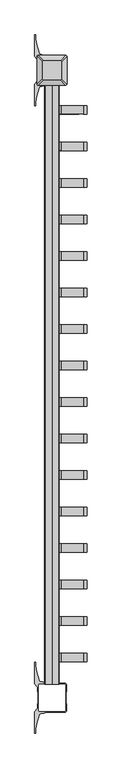
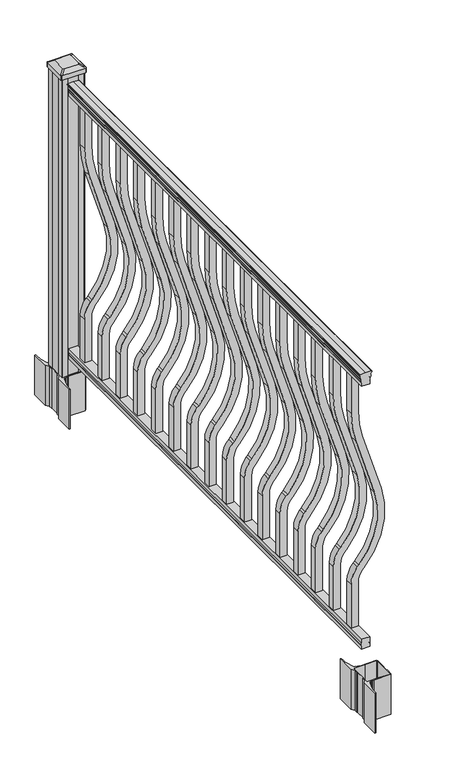
"""IFC4 building model written with IfcOpenShell, lengths in millimetres: railing geometry."""

from ifc_helpers import new_model, si_unit, point, frame, frame_2d, origin, origin_with_axes, place, context, project, spatial, polyline, circle_curve, trimmed, segment, composite_curve, outline, extrude, source, transform, mapped, element, save
from ifc_brep_helpers import plane_surface, extruded_surface, advanced_brep


def railing_abba4c6a(model_context):
    return source(origin(), model_context, "Body", "SolidModel", [
        extrude(outline(composite_curve([segment(polyline([(1090.8043297, 2185.0080205), (1092.692412, 2185.0080205)]), True, "CONTINUOUS"), segment(trimmed(circle_curve(frame_2d((1098.4506383, 2178.6932672)), 8.545951), [point((1092.692412, 2185.0080205))], [point((1094.2546695, 2186.1382068))], False, "CARTESIAN"), True, "CONTINUOUS"), segment(trimmed(circle_curve(frame_2d((1097.8636577, 2179.1303302)), 7.882584), [point((1094.2546695, 2186.1382068))], [point((1101.4726458, 2186.1382068))], False, "CARTESIAN"), True, "CONTINUOUS"), segment(trimmed(circle_curve(frame_2d((1103.7112527, 2189.6436543)), 4.1592695), [point((1101.4726458, 2186.1382068))], [point((1103.9060812, 2185.4889504))], True, "CARTESIAN"), True, "CONTINUOUS"), segment(trimmed(circle_curve(frame_2d((1103.6508864, 2190.9309609)), 5.4479907), [point((1103.9060812, 2185.4889504))], [point((1108.2362083, 2187.9889504))], True, "CARTESIAN"), True, "CONTINUOUS"), segment(trimmed(circle_curve(frame_2d((1108.233395, 2189.6978025)), 1.7088543), [point((1108.2362083, 2187.9889504))], [point((1109.9157972, 2189.3982929))], True, "CARTESIAN"), True, "CONTINUOUS"), segment(trimmed(circle_curve(frame_2d((1111.0205318, 2188.0809024)), 1.7192895), [point((1109.9157972, 2189.3982929))], [point((1111.0205318, 2189.8001919))], False, "CARTESIAN"), True, "CONTINUOUS"), segment(polyline([(1111.0205318, 2189.8001919), (1112.3608158, 2189.8001918)]), True, "CONTINUOUS"), segment(trimmed(circle_curve(frame_2d((1112.3608158, 2188.2467446)), 1.5534472), [point((1112.3608158, 2189.8001918))], [point((1113.914263, 2188.2467446))], False, "CARTESIAN"), True, "CONTINUOUS"), segment(polyline([(1113.914263, 2188.2467446), (1113.914263, 2167.5751918), (1113.914263, 2146.903639)]), True, "CONTINUOUS"), segment(trimmed(circle_curve(frame_2d((1112.3608158, 2146.903639)), 1.5534472), [point((1113.914263, 2146.903639))], [point((1112.3608158, 2145.3501918))], False, "CARTESIAN"), True, "CONTINUOUS"), segment(polyline([(1112.3608158, 2145.3501918), (1111.0205318, 2145.3501918)]), True, "CONTINUOUS"), segment(trimmed(circle_curve(frame_2d((1111.0205318, 2147.0694812)), 1.7192895), [point((1111.0205318, 2145.3501918))], [point((1109.9157972, 2145.7520907))], False, "CARTESIAN"), True, "CONTINUOUS"), segment(trimmed(circle_curve(frame_2d((1108.233395, 2145.4525811)), 1.7088543), [point((1109.9157972, 2145.7520907))], [point((1108.2362083, 2147.1614332))], True, "CARTESIAN"), True, "CONTINUOUS"), segment(trimmed(circle_curve(frame_2d((1103.6508864, 2144.2194227)), 5.4479907), [point((1108.2362083, 2147.1614332))], [point((1103.9060812, 2149.6614332))], True, "CARTESIAN"), True, "CONTINUOUS"), segment(trimmed(circle_curve(frame_2d((1103.7112527, 2145.5067292)), 4.1592695), [point((1103.9060812, 2149.6614332))], [point((1101.4726458, 2149.0121768))], True, "CARTESIAN"), True, "CONTINUOUS"), segment(trimmed(circle_curve(frame_2d((1097.8636577, 2156.0200534)), 7.882584), [point((1101.4726458, 2149.0121768))], [point((1094.2546695, 2149.0121768))], False, "CARTESIAN"), True, "CONTINUOUS"), segment(trimmed(circle_curve(frame_2d((1098.4506383, 2156.4571163)), 8.545951), [point((1094.2546695, 2149.0121768))], [point((1092.692412, 2150.1423631))], False, "CARTESIAN"), True, "CONTINUOUS"), segment(polyline([(1092.692412, 2150.1423631), (1090.8043297, 2150.1423631)]), True, "CONTINUOUS"), segment(trimmed(circle_curve(frame_2d((1090.8043297, 2151.4292774)), 1.2869144), [point((1090.8043297, 2150.1423631))], [point((1090.8043297, 2152.7161918))], False, "CARTESIAN"), True, "CONTINUOUS"), segment(polyline([(1090.8043297, 2152.7161918), (1080.3048283, 2152.7161918), (1079.2888283, 2151.7001918), (1066.8, 2151.7001918), (1066.8, 2183.4501918), (1079.131013, 2183.4501918), (1080.147013, 2182.4341918), (1090.8043297, 2182.4341918)]), True, "CONTINUOUS"), segment(trimmed(circle_curve(frame_2d((1090.8043297, 2183.7211062)), 1.2869144), [point((1090.8043297, 2182.4341918))], [point((1090.8043297, 2185.0080205))], False, "CARTESIAN"), True, "CONTINUOUS")], self_intersect=False)), frame((0.0, -47764.2908968, 0.0), z_axis=(0.0, 1.0, 0.0), x_axis=(0.0, 0.0, 1.0)), (0.0, 0.0, 1.0), 1828.8),
        extrude(outline(polyline([(76.0541976, 2183.4876787), (77.3546183, 2182.4716787), (87.7141717, 2182.4716787), (89.0624492, 2183.4876787), (101.5958781, 2183.4876787), (101.5958781, 2151.7376787), (89.0458024, 2151.7376787), (87.6975248, 2152.7536787), (77.3858283, 2152.7536787), (76.0375508, 2151.7376787), (63.5, 2151.7376787), (63.5, 2183.4876787), (76.0541976, 2183.4876787)])), frame((0.0, -47764.2908968, 0.0), z_axis=(0.0, 1.0, 0.0), x_axis=(0.0, 0.0, 1.0)), (0.0, 0.0, 1.0), 1828.8),
        extrude(outline(composite_curve([segment(polyline([(921.03216, 2180.2751918), (1066.8, 2180.2751918), (1066.8, 2154.8751918), (921.03216, 2154.8751918)]), True, "CONTINUOUS"), segment(trimmed(circle_curve(frame_2d((921.03216, 2527.5751918)), 372.7), [point((921.03216, 2154.8751918))], [point((812.0652257, 2171.1604092))], False, "CARTESIAN"), True, "CONTINUOUS"), segment(polyline([(812.0652257, 2171.1604092), (590.2121964, 2238.9876871)]), True, "CONTINUOUS"), segment(trimmed(circle_curve(frame_2d((512.0612397, 1983.3674258)), 267.3), [point((590.2121964, 2238.9876871))], [point((333.9522516, 2182.6824486))], True, "CARTESIAN"), True, "CONTINUOUS"), segment(polyline([(333.9522516, 2182.6824486), (327.7955374, 2177.1807754)]), True, "CONTINUOUS"), segment(trimmed(circle_curve(frame_2d((269.3587313, 2242.5751918)), 87.7), [point((327.7955374, 2177.1807754))], [point((269.3587313, 2154.8751918))], False, "CARTESIAN"), True, "CONTINUOUS"), segment(polyline([(269.3587313, 2154.8751918), (101.5958781, 2154.8751918), (101.5958781, 2180.2751918), (269.3587313, 2180.2751918)]), True, "CONTINUOUS"), segment(trimmed(circle_curve(frame_2d((269.3587313, 2242.5751918)), 62.3), [point((269.3587313, 2180.2751918))], [point((310.8708524, 2196.1205494))], True, "CARTESIAN"), True, "CONTINUOUS"), segment(polyline([(310.8708524, 2196.1205494), (317.0275666, 2201.6222226)]), True, "CONTINUOUS"), segment(trimmed(circle_curve(frame_2d((512.0612397, 1983.3674258)), 292.7), [point((317.0275666, 2201.6222226))], [point((597.6384377, 2263.2778279))], False, "CARTESIAN"), True, "CONTINUOUS"), segment(polyline([(597.6384377, 2263.2778279), (819.491467, 2195.45055)]), True, "CONTINUOUS"), segment(trimmed(circle_curve(frame_2d((921.03216, 2527.5751918)), 347.3), [point((819.491467, 2195.45055))], [point((921.03216, 2180.2751918))], True, "CARTESIAN"), True, "CONTINUOUS")], self_intersect=False)), frame((0.0, -46027.1848968, 0.0), z_axis=(0.0, 1.0, 0.0), x_axis=(0.0, 0.0, 1.0)), (0.0, 0.0, 1.0), 25.4),
        extrude(outline(composite_curve([segment(polyline([(921.03216, 2180.2751918), (1066.8, 2180.2751918), (1066.8, 2154.8751918), (921.03216, 2154.8751918)]), True, "CONTINUOUS"), segment(trimmed(circle_curve(frame_2d((921.03216, 2527.5751918)), 372.7), [point((921.03216, 2154.8751918))], [point((812.0652257, 2171.1604092))], False, "CARTESIAN"), True, "CONTINUOUS"), segment(polyline([(812.0652257, 2171.1604092), (590.2121964, 2238.9876871)]), True, "CONTINUOUS"), segment(trimmed(circle_curve(frame_2d((512.0612397, 1983.3674258)), 267.3), [point((590.2121964, 2238.9876871))], [point((333.9522516, 2182.6824486))], True, "CARTESIAN"), True, "CONTINUOUS"), segment(polyline([(333.9522516, 2182.6824486), (327.7955374, 2177.1807754)]), True, "CONTINUOUS"), segment(trimmed(circle_curve(frame_2d((269.3587313, 2242.5751918)), 87.7), [point((327.7955374, 2177.1807754))], [point((269.3587313, 2154.8751918))], False, "CARTESIAN"), True, "CONTINUOUS"), segment(polyline([(269.3587313, 2154.8751918), (101.5958781, 2154.8751918), (101.5958781, 2180.2751918), (269.3587313, 2180.2751918)]), True, "CONTINUOUS"), segment(trimmed(circle_curve(frame_2d((269.3587313, 2242.5751918)), 62.3), [point((269.3587313, 2180.2751918))], [point((310.8708524, 2196.1205494))], True, "CARTESIAN"), True, "CONTINUOUS"), segment(polyline([(310.8708524, 2196.1205494), (317.0275666, 2201.6222226)]), True, "CONTINUOUS"), segment(trimmed(circle_curve(frame_2d((512.0612397, 1983.3674258)), 292.7), [point((317.0275666, 2201.6222226))], [point((597.6384377, 2263.2778279))], False, "CARTESIAN"), True, "CONTINUOUS"), segment(polyline([(597.6384377, 2263.2778279), (819.491467, 2195.45055)]), True, "CONTINUOUS"), segment(trimmed(circle_curve(frame_2d((921.03216, 2527.5751918)), 347.3), [point((819.491467, 2195.45055))], [point((921.03216, 2180.2751918))], True, "CARTESIAN"), True, "CONTINUOUS")], self_intersect=False)), frame((0.0, -46138.4368968, 0.0), z_axis=(0.0, 1.0, 0.0), x_axis=(0.0, 0.0, 1.0)), (0.0, 0.0, 1.0), 25.4),
        extrude(outline(composite_curve([segment(polyline([(921.03216, 2180.2751918), (1066.8, 2180.2751918), (1066.8, 2154.8751918), (921.03216, 2154.8751918)]), True, "CONTINUOUS"), segment(trimmed(circle_curve(frame_2d((921.03216, 2527.5751918)), 372.7), [point((921.03216, 2154.8751918))], [point((812.0652257, 2171.1604092))], False, "CARTESIAN"), True, "CONTINUOUS"), segment(polyline([(812.0652257, 2171.1604092), (590.2121964, 2238.9876871)]), True, "CONTINUOUS"), segment(trimmed(circle_curve(frame_2d((512.0612397, 1983.3674258)), 267.3), [point((590.2121964, 2238.9876871))], [point((333.9522516, 2182.6824486))], True, "CARTESIAN"), True, "CONTINUOUS"), segment(polyline([(333.9522516, 2182.6824486), (327.7955374, 2177.1807754)]), True, "CONTINUOUS"), segment(trimmed(circle_curve(frame_2d((269.3587313, 2242.5751918)), 87.7), [point((327.7955374, 2177.1807754))], [point((269.3587313, 2154.8751918))], False, "CARTESIAN"), True, "CONTINUOUS"), segment(polyline([(269.3587313, 2154.8751918), (101.5958781, 2154.8751918), (101.5958781, 2180.2751918), (269.3587313, 2180.2751918)]), True, "CONTINUOUS"), segment(trimmed(circle_curve(frame_2d((269.3587313, 2242.5751918)), 62.3), [point((269.3587313, 2180.2751918))], [point((310.8708524, 2196.1205494))], True, "CARTESIAN"), True, "CONTINUOUS"), segment(polyline([(310.8708524, 2196.1205494), (317.0275666, 2201.6222226)]), True, "CONTINUOUS"), segment(trimmed(circle_curve(frame_2d((512.0612397, 1983.3674258)), 292.7), [point((317.0275666, 2201.6222226))], [point((597.6384377, 2263.2778279))], False, "CARTESIAN"), True, "CONTINUOUS"), segment(polyline([(597.6384377, 2263.2778279), (819.491467, 2195.45055)]), True, "CONTINUOUS"), segment(trimmed(circle_curve(frame_2d((921.03216, 2527.5751918)), 347.3), [point((819.491467, 2195.45055))], [point((921.03216, 2180.2751918))], True, "CARTESIAN"), True, "CONTINUOUS")], self_intersect=False)), frame((0.0, -46249.6888968, 0.0), z_axis=(0.0, 1.0, 0.0), x_axis=(0.0, 0.0, 1.0)), (0.0, 0.0, 1.0), 25.4),
        extrude(outline(composite_curve([segment(polyline([(921.03216, 2180.2751918), (1066.8, 2180.2751918), (1066.8, 2154.8751918), (921.03216, 2154.8751918)]), True, "CONTINUOUS"), segment(trimmed(circle_curve(frame_2d((921.03216, 2527.5751918)), 372.7), [point((921.03216, 2154.8751918))], [point((812.0652257, 2171.1604092))], False, "CARTESIAN"), True, "CONTINUOUS"), segment(polyline([(812.0652257, 2171.1604092), (590.2121964, 2238.9876871)]), True, "CONTINUOUS"), segment(trimmed(circle_curve(frame_2d((512.0612397, 1983.3674258)), 267.3), [point((590.2121964, 2238.9876871))], [point((333.9522516, 2182.6824486))], True, "CARTESIAN"), True, "CONTINUOUS"), segment(polyline([(333.9522516, 2182.6824486), (327.7955374, 2177.1807754)]), True, "CONTINUOUS"), segment(trimmed(circle_curve(frame_2d((269.3587313, 2242.5751918)), 87.7), [point((327.7955374, 2177.1807754))], [point((269.3587313, 2154.8751918))], False, "CARTESIAN"), True, "CONTINUOUS"), segment(polyline([(269.3587313, 2154.8751918), (101.5958781, 2154.8751918), (101.5958781, 2180.2751918), (269.3587313, 2180.2751918)]), True, "CONTINUOUS"), segment(trimmed(circle_curve(frame_2d((269.3587313, 2242.5751918)), 62.3), [point((269.3587313, 2180.2751918))], [point((310.8708524, 2196.1205494))], True, "CARTESIAN"), True, "CONTINUOUS"), segment(polyline([(310.8708524, 2196.1205494), (317.0275666, 2201.6222226)]), True, "CONTINUOUS"), segment(trimmed(circle_curve(frame_2d((512.0612397, 1983.3674258)), 292.7), [point((317.0275666, 2201.6222226))], [point((597.6384377, 2263.2778279))], False, "CARTESIAN"), True, "CONTINUOUS"), segment(polyline([(597.6384377, 2263.2778279), (819.491467, 2195.45055)]), True, "CONTINUOUS"), segment(trimmed(circle_curve(frame_2d((921.03216, 2527.5751918)), 347.3), [point((819.491467, 2195.45055))], [point((921.03216, 2180.2751918))], True, "CARTESIAN"), True, "CONTINUOUS")], self_intersect=False)), frame((0.0, -46360.9408968, 0.0), z_axis=(0.0, 1.0, 0.0), x_axis=(0.0, 0.0, 1.0)), (0.0, 0.0, 1.0), 25.4),
        extrude(outline(composite_curve([segment(polyline([(921.03216, 2180.2751918), (1066.8, 2180.2751918), (1066.8, 2154.8751918), (921.03216, 2154.8751918)]), True, "CONTINUOUS"), segment(trimmed(circle_curve(frame_2d((921.03216, 2527.5751918)), 372.7), [point((921.03216, 2154.8751918))], [point((812.0652257, 2171.1604092))], False, "CARTESIAN"), True, "CONTINUOUS"), segment(polyline([(812.0652257, 2171.1604092), (590.2121964, 2238.9876871)]), True, "CONTINUOUS"), segment(trimmed(circle_curve(frame_2d((512.0612397, 1983.3674258)), 267.3), [point((590.2121964, 2238.9876871))], [point((333.9522516, 2182.6824486))], True, "CARTESIAN"), True, "CONTINUOUS"), segment(polyline([(333.9522516, 2182.6824486), (327.7955374, 2177.1807754)]), True, "CONTINUOUS"), segment(trimmed(circle_curve(frame_2d((269.3587313, 2242.5751918)), 87.7), [point((327.7955374, 2177.1807754))], [point((269.3587313, 2154.8751918))], False, "CARTESIAN"), True, "CONTINUOUS"), segment(polyline([(269.3587313, 2154.8751918), (101.5958781, 2154.8751918), (101.5958781, 2180.2751918), (269.3587313, 2180.2751918)]), True, "CONTINUOUS"), segment(trimmed(circle_curve(frame_2d((269.3587313, 2242.5751918)), 62.3), [point((269.3587313, 2180.2751918))], [point((310.8708524, 2196.1205494))], True, "CARTESIAN"), True, "CONTINUOUS"), segment(polyline([(310.8708524, 2196.1205494), (317.0275666, 2201.6222226)]), True, "CONTINUOUS"), segment(trimmed(circle_curve(frame_2d((512.0612397, 1983.3674258)), 292.7), [point((317.0275666, 2201.6222226))], [point((597.6384377, 2263.2778279))], False, "CARTESIAN"), True, "CONTINUOUS"), segment(polyline([(597.6384377, 2263.2778279), (819.491467, 2195.45055)]), True, "CONTINUOUS"), segment(trimmed(circle_curve(frame_2d((921.03216, 2527.5751918)), 347.3), [point((819.491467, 2195.45055))], [point((921.03216, 2180.2751918))], True, "CARTESIAN"), True, "CONTINUOUS")], self_intersect=False)), frame((0.0, -46472.1928968, 0.0), z_axis=(0.0, 1.0, 0.0), x_axis=(0.0, 0.0, 1.0)), (0.0, 0.0, 1.0), 25.4),
        extrude(outline(composite_curve([segment(polyline([(921.03216, 2180.2751918), (1066.8, 2180.2751918), (1066.8, 2154.8751918), (921.03216, 2154.8751918)]), True, "CONTINUOUS"), segment(trimmed(circle_curve(frame_2d((921.03216, 2527.5751918)), 372.7), [point((921.03216, 2154.8751918))], [point((812.0652257, 2171.1604092))], False, "CARTESIAN"), True, "CONTINUOUS"), segment(polyline([(812.0652257, 2171.1604092), (590.2121964, 2238.9876871)]), True, "CONTINUOUS"), segment(trimmed(circle_curve(frame_2d((512.0612397, 1983.3674258)), 267.3), [point((590.2121964, 2238.9876871))], [point((333.9522516, 2182.6824486))], True, "CARTESIAN"), True, "CONTINUOUS"), segment(polyline([(333.9522516, 2182.6824486), (327.7955374, 2177.1807754)]), True, "CONTINUOUS"), segment(trimmed(circle_curve(frame_2d((269.3587313, 2242.5751918)), 87.7), [point((327.7955374, 2177.1807754))], [point((269.3587313, 2154.8751918))], False, "CARTESIAN"), True, "CONTINUOUS"), segment(polyline([(269.3587313, 2154.8751918), (101.5958781, 2154.8751918), (101.5958781, 2180.2751918), (269.3587313, 2180.2751918)]), True, "CONTINUOUS"), segment(trimmed(circle_curve(frame_2d((269.3587313, 2242.5751918)), 62.3), [point((269.3587313, 2180.2751918))], [point((310.8708524, 2196.1205494))], True, "CARTESIAN"), True, "CONTINUOUS"), segment(polyline([(310.8708524, 2196.1205494), (317.0275666, 2201.6222226)]), True, "CONTINUOUS"), segment(trimmed(circle_curve(frame_2d((512.0612397, 1983.3674258)), 292.7), [point((317.0275666, 2201.6222226))], [point((597.6384377, 2263.2778279))], False, "CARTESIAN"), True, "CONTINUOUS"), segment(polyline([(597.6384377, 2263.2778279), (819.491467, 2195.45055)]), True, "CONTINUOUS"), segment(trimmed(circle_curve(frame_2d((921.03216, 2527.5751918)), 347.3), [point((819.491467, 2195.45055))], [point((921.03216, 2180.2751918))], True, "CARTESIAN"), True, "CONTINUOUS")], self_intersect=False)), frame((0.0, -46583.4448968, 0.0), z_axis=(0.0, 1.0, 0.0), x_axis=(0.0, 0.0, 1.0)), (0.0, 0.0, 1.0), 25.4),
        extrude(outline(composite_curve([segment(polyline([(921.03216, 2180.2751918), (1066.8, 2180.2751918), (1066.8, 2154.8751918), (921.03216, 2154.8751918)]), True, "CONTINUOUS"), segment(trimmed(circle_curve(frame_2d((921.03216, 2527.5751918)), 372.7), [point((921.03216, 2154.8751918))], [point((812.0652257, 2171.1604092))], False, "CARTESIAN"), True, "CONTINUOUS"), segment(polyline([(812.0652257, 2171.1604092), (590.2121964, 2238.9876871)]), True, "CONTINUOUS"), segment(trimmed(circle_curve(frame_2d((512.0612397, 1983.3674258)), 267.3), [point((590.2121964, 2238.9876871))], [point((333.9522516, 2182.6824486))], True, "CARTESIAN"), True, "CONTINUOUS"), segment(polyline([(333.9522516, 2182.6824486), (327.7955374, 2177.1807754)]), True, "CONTINUOUS"), segment(trimmed(circle_curve(frame_2d((269.3587313, 2242.5751918)), 87.7), [point((327.7955374, 2177.1807754))], [point((269.3587313, 2154.8751918))], False, "CARTESIAN"), True, "CONTINUOUS"), segment(polyline([(269.3587313, 2154.8751918), (101.5958781, 2154.8751918), (101.5958781, 2180.2751918), (269.3587313, 2180.2751918)]), True, "CONTINUOUS"), segment(trimmed(circle_curve(frame_2d((269.3587313, 2242.5751918)), 62.3), [point((269.3587313, 2180.2751918))], [point((310.8708524, 2196.1205494))], True, "CARTESIAN"), True, "CONTINUOUS"), segment(polyline([(310.8708524, 2196.1205494), (317.0275666, 2201.6222226)]), True, "CONTINUOUS"), segment(trimmed(circle_curve(frame_2d((512.0612397, 1983.3674258)), 292.7), [point((317.0275666, 2201.6222226))], [point((597.6384377, 2263.2778279))], False, "CARTESIAN"), True, "CONTINUOUS"), segment(polyline([(597.6384377, 2263.2778279), (819.491467, 2195.45055)]), True, "CONTINUOUS"), segment(trimmed(circle_curve(frame_2d((921.03216, 2527.5751918)), 347.3), [point((819.491467, 2195.45055))], [point((921.03216, 2180.2751918))], True, "CARTESIAN"), True, "CONTINUOUS")], self_intersect=False)), frame((0.0, -46694.6968968, 0.0), z_axis=(0.0, 1.0, 0.0), x_axis=(0.0, 0.0, 1.0)), (0.0, 0.0, 1.0), 25.4),
        extrude(outline(composite_curve([segment(polyline([(921.03216, 2180.2751918), (1066.8, 2180.2751918), (1066.8, 2154.8751918), (921.03216, 2154.8751918)]), True, "CONTINUOUS"), segment(trimmed(circle_curve(frame_2d((921.03216, 2527.5751918)), 372.7), [point((921.03216, 2154.8751918))], [point((812.0652257, 2171.1604092))], False, "CARTESIAN"), True, "CONTINUOUS"), segment(polyline([(812.0652257, 2171.1604092), (590.2121964, 2238.9876871)]), True, "CONTINUOUS"), segment(trimmed(circle_curve(frame_2d((512.0612397, 1983.3674258)), 267.3), [point((590.2121964, 2238.9876871))], [point((333.9522516, 2182.6824486))], True, "CARTESIAN"), True, "CONTINUOUS"), segment(polyline([(333.9522516, 2182.6824486), (327.7955374, 2177.1807754)]), True, "CONTINUOUS"), segment(trimmed(circle_curve(frame_2d((269.3587313, 2242.5751918)), 87.7), [point((327.7955374, 2177.1807754))], [point((269.3587313, 2154.8751918))], False, "CARTESIAN"), True, "CONTINUOUS"), segment(polyline([(269.3587313, 2154.8751918), (101.5958781, 2154.8751918), (101.5958781, 2180.2751918), (269.3587313, 2180.2751918)]), True, "CONTINUOUS"), segment(trimmed(circle_curve(frame_2d((269.3587313, 2242.5751918)), 62.3), [point((269.3587313, 2180.2751918))], [point((310.8708524, 2196.1205494))], True, "CARTESIAN"), True, "CONTINUOUS"), segment(polyline([(310.8708524, 2196.1205494), (317.0275666, 2201.6222226)]), True, "CONTINUOUS"), segment(trimmed(circle_curve(frame_2d((512.0612397, 1983.3674258)), 292.7), [point((317.0275666, 2201.6222226))], [point((597.6384377, 2263.2778279))], False, "CARTESIAN"), True, "CONTINUOUS"), segment(polyline([(597.6384377, 2263.2778279), (819.491467, 2195.45055)]), True, "CONTINUOUS"), segment(trimmed(circle_curve(frame_2d((921.03216, 2527.5751918)), 347.3), [point((819.491467, 2195.45055))], [point((921.03216, 2180.2751918))], True, "CARTESIAN"), True, "CONTINUOUS")], self_intersect=False)), frame((0.0, -46805.9488968, 0.0), z_axis=(0.0, 1.0, 0.0), x_axis=(0.0, 0.0, 1.0)), (0.0, 0.0, 1.0), 25.4),
        extrude(outline(composite_curve([segment(polyline([(921.03216, 2180.2751918), (1066.8, 2180.2751918), (1066.8, 2154.8751918), (921.03216, 2154.8751918)]), True, "CONTINUOUS"), segment(trimmed(circle_curve(frame_2d((921.03216, 2527.5751918)), 372.7), [point((921.03216, 2154.8751918))], [point((812.0652257, 2171.1604092))], False, "CARTESIAN"), True, "CONTINUOUS"), segment(polyline([(812.0652257, 2171.1604092), (590.2121964, 2238.9876871)]), True, "CONTINUOUS"), segment(trimmed(circle_curve(frame_2d((512.0612397, 1983.3674258)), 267.3), [point((590.2121964, 2238.9876871))], [point((333.9522516, 2182.6824486))], True, "CARTESIAN"), True, "CONTINUOUS"), segment(polyline([(333.9522516, 2182.6824486), (327.7955374, 2177.1807754)]), True, "CONTINUOUS"), segment(trimmed(circle_curve(frame_2d((269.3587313, 2242.5751918)), 87.7), [point((327.7955374, 2177.1807754))], [point((269.3587313, 2154.8751918))], False, "CARTESIAN"), True, "CONTINUOUS"), segment(polyline([(269.3587313, 2154.8751918), (101.5958781, 2154.8751918), (101.5958781, 2180.2751918), (269.3587313, 2180.2751918)]), True, "CONTINUOUS"), segment(trimmed(circle_curve(frame_2d((269.3587313, 2242.5751918)), 62.3), [point((269.3587313, 2180.2751918))], [point((310.8708524, 2196.1205494))], True, "CARTESIAN"), True, "CONTINUOUS"), segment(polyline([(310.8708524, 2196.1205494), (317.0275666, 2201.6222226)]), True, "CONTINUOUS"), segment(trimmed(circle_curve(frame_2d((512.0612397, 1983.3674258)), 292.7), [point((317.0275666, 2201.6222226))], [point((597.6384377, 2263.2778279))], False, "CARTESIAN"), True, "CONTINUOUS"), segment(polyline([(597.6384377, 2263.2778279), (819.491467, 2195.45055)]), True, "CONTINUOUS"), segment(trimmed(circle_curve(frame_2d((921.03216, 2527.5751918)), 347.3), [point((819.491467, 2195.45055))], [point((921.03216, 2180.2751918))], True, "CARTESIAN"), True, "CONTINUOUS")], self_intersect=False)), frame((0.0, -46917.2008968, 0.0), z_axis=(0.0, 1.0, 0.0), x_axis=(0.0, 0.0, 1.0)), (0.0, 0.0, 1.0), 25.4),
        extrude(outline(composite_curve([segment(polyline([(921.03216, 2180.2751918), (1066.8, 2180.2751918), (1066.8, 2154.8751918), (921.03216, 2154.8751918)]), True, "CONTINUOUS"), segment(trimmed(circle_curve(frame_2d((921.03216, 2527.5751918)), 372.7), [point((921.03216, 2154.8751918))], [point((812.0652257, 2171.1604092))], False, "CARTESIAN"), True, "CONTINUOUS"), segment(polyline([(812.0652257, 2171.1604092), (590.2121964, 2238.9876871)]), True, "CONTINUOUS"), segment(trimmed(circle_curve(frame_2d((512.0612397, 1983.3674258)), 267.3), [point((590.2121964, 2238.9876871))], [point((333.9522516, 2182.6824486))], True, "CARTESIAN"), True, "CONTINUOUS"), segment(polyline([(333.9522516, 2182.6824486), (327.7955374, 2177.1807754)]), True, "CONTINUOUS"), segment(trimmed(circle_curve(frame_2d((269.3587313, 2242.5751918)), 87.7), [point((327.7955374, 2177.1807754))], [point((269.3587313, 2154.8751918))], False, "CARTESIAN"), True, "CONTINUOUS"), segment(polyline([(269.3587313, 2154.8751918), (101.5958781, 2154.8751918), (101.5958781, 2180.2751918), (269.3587313, 2180.2751918)]), True, "CONTINUOUS"), segment(trimmed(circle_curve(frame_2d((269.3587313, 2242.5751918)), 62.3), [point((269.3587313, 2180.2751918))], [point((310.8708524, 2196.1205494))], True, "CARTESIAN"), True, "CONTINUOUS"), segment(polyline([(310.8708524, 2196.1205494), (317.0275666, 2201.6222226)]), True, "CONTINUOUS"), segment(trimmed(circle_curve(frame_2d((512.0612397, 1983.3674258)), 292.7), [point((317.0275666, 2201.6222226))], [point((597.6384377, 2263.2778279))], False, "CARTESIAN"), True, "CONTINUOUS"), segment(polyline([(597.6384377, 2263.2778279), (819.491467, 2195.45055)]), True, "CONTINUOUS"), segment(trimmed(circle_curve(frame_2d((921.03216, 2527.5751918)), 347.3), [point((819.491467, 2195.45055))], [point((921.03216, 2180.2751918))], True, "CARTESIAN"), True, "CONTINUOUS")], self_intersect=False)), frame((0.0, -47028.4528968, 0.0), z_axis=(0.0, 1.0, 0.0), x_axis=(0.0, 0.0, 1.0)), (0.0, 0.0, 1.0), 25.4),
        extrude(outline(composite_curve([segment(polyline([(921.03216, 2180.2751918), (1066.8, 2180.2751918), (1066.8, 2154.8751918), (921.03216, 2154.8751918)]), True, "CONTINUOUS"), segment(trimmed(circle_curve(frame_2d((921.03216, 2527.5751918)), 372.7), [point((921.03216, 2154.8751918))], [point((812.0652257, 2171.1604092))], False, "CARTESIAN"), True, "CONTINUOUS"), segment(polyline([(812.0652257, 2171.1604092), (590.2121964, 2238.9876871)]), True, "CONTINUOUS"), segment(trimmed(circle_curve(frame_2d((512.0612397, 1983.3674258)), 267.3), [point((590.2121964, 2238.9876871))], [point((333.9522516, 2182.6824486))], True, "CARTESIAN"), True, "CONTINUOUS"), segment(polyline([(333.9522516, 2182.6824486), (327.7955374, 2177.1807754)]), True, "CONTINUOUS"), segment(trimmed(circle_curve(frame_2d((269.3587313, 2242.5751918)), 87.7), [point((327.7955374, 2177.1807754))], [point((269.3587313, 2154.8751918))], False, "CARTESIAN"), True, "CONTINUOUS"), segment(polyline([(269.3587313, 2154.8751918), (101.5958781, 2154.8751918), (101.5958781, 2180.2751918), (269.3587313, 2180.2751918)]), True, "CONTINUOUS"), segment(trimmed(circle_curve(frame_2d((269.3587313, 2242.5751918)), 62.3), [point((269.3587313, 2180.2751918))], [point((310.8708524, 2196.1205494))], True, "CARTESIAN"), True, "CONTINUOUS"), segment(polyline([(310.8708524, 2196.1205494), (317.0275666, 2201.6222226)]), True, "CONTINUOUS"), segment(trimmed(circle_curve(frame_2d((512.0612397, 1983.3674258)), 292.7), [point((317.0275666, 2201.6222226))], [point((597.6384377, 2263.2778279))], False, "CARTESIAN"), True, "CONTINUOUS"), segment(polyline([(597.6384377, 2263.2778279), (819.491467, 2195.45055)]), True, "CONTINUOUS"), segment(trimmed(circle_curve(frame_2d((921.03216, 2527.5751918)), 347.3), [point((819.491467, 2195.45055))], [point((921.03216, 2180.2751918))], True, "CARTESIAN"), True, "CONTINUOUS")], self_intersect=False)), frame((0.0, -47139.7048968, 0.0), z_axis=(0.0, 1.0, 0.0), x_axis=(0.0, 0.0, 1.0)), (0.0, 0.0, 1.0), 25.4),
        extrude(outline(composite_curve([segment(polyline([(921.03216, 2180.2751918), (1066.8, 2180.2751918), (1066.8, 2154.8751918), (921.03216, 2154.8751918)]), True, "CONTINUOUS"), segment(trimmed(circle_curve(frame_2d((921.03216, 2527.5751918)), 372.7), [point((921.03216, 2154.8751918))], [point((812.0652257, 2171.1604092))], False, "CARTESIAN"), True, "CONTINUOUS"), segment(polyline([(812.0652257, 2171.1604092), (590.2121964, 2238.9876871)]), True, "CONTINUOUS"), segment(trimmed(circle_curve(frame_2d((512.0612397, 1983.3674258)), 267.3), [point((590.2121964, 2238.9876871))], [point((333.9522516, 2182.6824486))], True, "CARTESIAN"), True, "CONTINUOUS"), segment(polyline([(333.9522516, 2182.6824486), (327.7955374, 2177.1807754)]), True, "CONTINUOUS"), segment(trimmed(circle_curve(frame_2d((269.3587313, 2242.5751918)), 87.7), [point((327.7955374, 2177.1807754))], [point((269.3587313, 2154.8751918))], False, "CARTESIAN"), True, "CONTINUOUS"), segment(polyline([(269.3587313, 2154.8751918), (101.5958781, 2154.8751918), (101.5958781, 2180.2751918), (269.3587313, 2180.2751918)]), True, "CONTINUOUS"), segment(trimmed(circle_curve(frame_2d((269.3587313, 2242.5751918)), 62.3), [point((269.3587313, 2180.2751918))], [point((310.8708524, 2196.1205494))], True, "CARTESIAN"), True, "CONTINUOUS"), segment(polyline([(310.8708524, 2196.1205494), (317.0275666, 2201.6222226)]), True, "CONTINUOUS"), segment(trimmed(circle_curve(frame_2d((512.0612397, 1983.3674258)), 292.7), [point((317.0275666, 2201.6222226))], [point((597.6384377, 2263.2778279))], False, "CARTESIAN"), True, "CONTINUOUS"), segment(polyline([(597.6384377, 2263.2778279), (819.491467, 2195.45055)]), True, "CONTINUOUS"), segment(trimmed(circle_curve(frame_2d((921.03216, 2527.5751918)), 347.3), [point((819.491467, 2195.45055))], [point((921.03216, 2180.2751918))], True, "CARTESIAN"), True, "CONTINUOUS")], self_intersect=False)), frame((0.0, -47250.9568968, 0.0), z_axis=(0.0, 1.0, 0.0), x_axis=(0.0, 0.0, 1.0)), (0.0, 0.0, 1.0), 25.4),
        extrude(outline(composite_curve([segment(polyline([(921.03216, 2180.2751918), (1066.8, 2180.2751918), (1066.8, 2154.8751918), (921.03216, 2154.8751918)]), True, "CONTINUOUS"), segment(trimmed(circle_curve(frame_2d((921.03216, 2527.5751918)), 372.7), [point((921.03216, 2154.8751918))], [point((812.0652257, 2171.1604092))], False, "CARTESIAN"), True, "CONTINUOUS"), segment(polyline([(812.0652257, 2171.1604092), (590.2121964, 2238.9876871)]), True, "CONTINUOUS"), segment(trimmed(circle_curve(frame_2d((512.0612397, 1983.3674258)), 267.3), [point((590.2121964, 2238.9876871))], [point((333.9522516, 2182.6824486))], True, "CARTESIAN"), True, "CONTINUOUS"), segment(polyline([(333.9522516, 2182.6824486), (327.7955374, 2177.1807754)]), True, "CONTINUOUS"), segment(trimmed(circle_curve(frame_2d((269.3587313, 2242.5751918)), 87.7), [point((327.7955374, 2177.1807754))], [point((269.3587313, 2154.8751918))], False, "CARTESIAN"), True, "CONTINUOUS"), segment(polyline([(269.3587313, 2154.8751918), (101.5958781, 2154.8751918), (101.5958781, 2180.2751918), (269.3587313, 2180.2751918)]), True, "CONTINUOUS"), segment(trimmed(circle_curve(frame_2d((269.3587313, 2242.5751918)), 62.3), [point((269.3587313, 2180.2751918))], [point((310.8708524, 2196.1205494))], True, "CARTESIAN"), True, "CONTINUOUS"), segment(polyline([(310.8708524, 2196.1205494), (317.0275666, 2201.6222226)]), True, "CONTINUOUS"), segment(trimmed(circle_curve(frame_2d((512.0612397, 1983.3674258)), 292.7), [point((317.0275666, 2201.6222226))], [point((597.6384377, 2263.2778279))], False, "CARTESIAN"), True, "CONTINUOUS"), segment(polyline([(597.6384377, 2263.2778279), (819.491467, 2195.45055)]), True, "CONTINUOUS"), segment(trimmed(circle_curve(frame_2d((921.03216, 2527.5751918)), 347.3), [point((819.491467, 2195.45055))], [point((921.03216, 2180.2751918))], True, "CARTESIAN"), True, "CONTINUOUS")], self_intersect=False)), frame((0.0, -47362.2088968, 0.0), z_axis=(0.0, 1.0, 0.0), x_axis=(0.0, 0.0, 1.0)), (0.0, 0.0, 1.0), 25.4),
        extrude(outline(composite_curve([segment(polyline([(921.03216, 2180.2751918), (1066.8, 2180.2751918), (1066.8, 2154.8751918), (921.03216, 2154.8751918)]), True, "CONTINUOUS"), segment(trimmed(circle_curve(frame_2d((921.03216, 2527.5751918)), 372.7), [point((921.03216, 2154.8751918))], [point((812.0652257, 2171.1604092))], False, "CARTESIAN"), True, "CONTINUOUS"), segment(polyline([(812.0652257, 2171.1604092), (590.2121964, 2238.9876871)]), True, "CONTINUOUS"), segment(trimmed(circle_curve(frame_2d((512.0612397, 1983.3674258)), 267.3), [point((590.2121964, 2238.9876871))], [point((333.9522516, 2182.6824486))], True, "CARTESIAN"), True, "CONTINUOUS"), segment(polyline([(333.9522516, 2182.6824486), (327.7955374, 2177.1807754)]), True, "CONTINUOUS"), segment(trimmed(circle_curve(frame_2d((269.3587313, 2242.5751918)), 87.7), [point((327.7955374, 2177.1807754))], [point((269.3587313, 2154.8751918))], False, "CARTESIAN"), True, "CONTINUOUS"), segment(polyline([(269.3587313, 2154.8751918), (101.5958781, 2154.8751918), (101.5958781, 2180.2751918), (269.3587313, 2180.2751918)]), True, "CONTINUOUS"), segment(trimmed(circle_curve(frame_2d((269.3587313, 2242.5751918)), 62.3), [point((269.3587313, 2180.2751918))], [point((310.8708524, 2196.1205494))], True, "CARTESIAN"), True, "CONTINUOUS"), segment(polyline([(310.8708524, 2196.1205494), (317.0275666, 2201.6222226)]), True, "CONTINUOUS"), segment(trimmed(circle_curve(frame_2d((512.0612397, 1983.3674258)), 292.7), [point((317.0275666, 2201.6222226))], [point((597.6384377, 2263.2778279))], False, "CARTESIAN"), True, "CONTINUOUS"), segment(polyline([(597.6384377, 2263.2778279), (819.491467, 2195.45055)]), True, "CONTINUOUS"), segment(trimmed(circle_curve(frame_2d((921.03216, 2527.5751918)), 347.3), [point((819.491467, 2195.45055))], [point((921.03216, 2180.2751918))], True, "CARTESIAN"), True, "CONTINUOUS")], self_intersect=False)), frame((0.0, -47473.4608968, 0.0), z_axis=(0.0, 1.0, 0.0), x_axis=(0.0, 0.0, 1.0)), (0.0, 0.0, 1.0), 25.4),
        extrude(outline(composite_curve([segment(polyline([(921.03216, 2180.2751918), (1066.8, 2180.2751918), (1066.8, 2154.8751918), (921.03216, 2154.8751918)]), True, "CONTINUOUS"), segment(trimmed(circle_curve(frame_2d((921.03216, 2527.5751918)), 372.7), [point((921.03216, 2154.8751918))], [point((812.0652257, 2171.1604092))], False, "CARTESIAN"), True, "CONTINUOUS"), segment(polyline([(812.0652257, 2171.1604092), (590.2121964, 2238.9876871)]), True, "CONTINUOUS"), segment(trimmed(circle_curve(frame_2d((512.0612397, 1983.3674258)), 267.3), [point((590.2121964, 2238.9876871))], [point((333.9522516, 2182.6824486))], True, "CARTESIAN"), True, "CONTINUOUS"), segment(polyline([(333.9522516, 2182.6824486), (327.7955374, 2177.1807754)]), True, "CONTINUOUS"), segment(trimmed(circle_curve(frame_2d((269.3587313, 2242.5751918)), 87.7), [point((327.7955374, 2177.1807754))], [point((269.3587313, 2154.8751918))], False, "CARTESIAN"), True, "CONTINUOUS"), segment(polyline([(269.3587313, 2154.8751918), (101.5958781, 2154.8751918), (101.5958781, 2180.2751918), (269.3587313, 2180.2751918)]), True, "CONTINUOUS"), segment(trimmed(circle_curve(frame_2d((269.3587313, 2242.5751918)), 62.3), [point((269.3587313, 2180.2751918))], [point((310.8708524, 2196.1205494))], True, "CARTESIAN"), True, "CONTINUOUS"), segment(polyline([(310.8708524, 2196.1205494), (317.0275666, 2201.6222226)]), True, "CONTINUOUS"), segment(trimmed(circle_curve(frame_2d((512.0612397, 1983.3674258)), 292.7), [point((317.0275666, 2201.6222226))], [point((597.6384377, 2263.2778279))], False, "CARTESIAN"), True, "CONTINUOUS"), segment(polyline([(597.6384377, 2263.2778279), (819.491467, 2195.45055)]), True, "CONTINUOUS"), segment(trimmed(circle_curve(frame_2d((921.03216, 2527.5751918)), 347.3), [point((819.491467, 2195.45055))], [point((921.03216, 2180.2751918))], True, "CARTESIAN"), True, "CONTINUOUS")], self_intersect=False)), frame((0.0, -47584.7128968, 0.0), z_axis=(0.0, 1.0, 0.0), x_axis=(0.0, 0.0, 1.0)), (0.0, 0.0, 1.0), 25.4),
        extrude(outline(composite_curve([segment(polyline([(921.03216, 2180.2751918), (1066.8, 2180.2751918), (1066.8, 2154.8751918), (921.03216, 2154.8751918)]), True, "CONTINUOUS"), segment(trimmed(circle_curve(frame_2d((921.03216, 2527.5751918)), 372.7), [point((921.03216, 2154.8751918))], [point((812.0652257, 2171.1604092))], False, "CARTESIAN"), True, "CONTINUOUS"), segment(polyline([(812.0652257, 2171.1604092), (590.2121964, 2238.9876871)]), True, "CONTINUOUS"), segment(trimmed(circle_curve(frame_2d((512.0612397, 1983.3674258)), 267.3), [point((590.2121964, 2238.9876871))], [point((333.9522516, 2182.6824486))], True, "CARTESIAN"), True, "CONTINUOUS"), segment(polyline([(333.9522516, 2182.6824486), (327.7955374, 2177.1807754)]), True, "CONTINUOUS"), segment(trimmed(circle_curve(frame_2d((269.3587313, 2242.5751918)), 87.7), [point((327.7955374, 2177.1807754))], [point((269.3587313, 2154.8751918))], False, "CARTESIAN"), True, "CONTINUOUS"), segment(polyline([(269.3587313, 2154.8751918), (101.5958781, 2154.8751918), (101.5958781, 2180.2751918), (269.3587313, 2180.2751918)]), True, "CONTINUOUS"), segment(trimmed(circle_curve(frame_2d((269.3587313, 2242.5751918)), 62.3), [point((269.3587313, 2180.2751918))], [point((310.8708524, 2196.1205494))], True, "CARTESIAN"), True, "CONTINUOUS"), segment(polyline([(310.8708524, 2196.1205494), (317.0275666, 2201.6222226)]), True, "CONTINUOUS"), segment(trimmed(circle_curve(frame_2d((512.0612397, 1983.3674258)), 292.7), [point((317.0275666, 2201.6222226))], [point((597.6384377, 2263.2778279))], False, "CARTESIAN"), True, "CONTINUOUS"), segment(polyline([(597.6384377, 2263.2778279), (819.491467, 2195.45055)]), True, "CONTINUOUS"), segment(trimmed(circle_curve(frame_2d((921.03216, 2527.5751918)), 347.3), [point((819.491467, 2195.45055))], [point((921.03216, 2180.2751918))], True, "CARTESIAN"), True, "CONTINUOUS")], self_intersect=False)), frame((0.0, -47695.9648968, 0.0), z_axis=(0.0, 1.0, 0.0), x_axis=(0.0, 0.0, 1.0)), (0.0, 0.0, 1.0), 25.4),
        extrude(outline(composite_curve([segment(polyline([(2210.3106918, -45911.4749917), (2211.8981918, -45912.2369917), (2211.8981918, -45935.0389198), (2208.5252147, -45938.4118968), (2147.0655439, -45938.4118968), (2147.0655439, -45939.3326468), (2141.7480001, -45939.3326468), (2141.7480001, -45940.7869015), (2136.6634704, -45940.7869015), (2136.6634704, -45942.0709253), (2134.9961981, -45942.0709253)]), True, "CONTINUOUS"), segment(trimmed(circle_curve(frame_2d((2134.9961981, -45949.1303852)), 7.0594599), [point((2134.9961981, -45942.0709253))], [point((2128.2289352, -45947.1203785))], True, "CARTESIAN"), True, "CONTINUOUS"), segment(polyline([(2128.2289352, -45947.1203785), (2120.354741, -45973.6311076)]), True, "CONTINUOUS"), segment(trimmed(circle_curve(frame_2d((2175.1392543, -45989.9031573)), 57.15), [point((2120.354741, -45973.6311076))], [point((2117.9892543, -45989.9031573))], True, "CARTESIAN"), True, "CONTINUOUS"), segment(polyline([(2117.9892543, -45989.9031573), (2117.9892543, -46001.9118968), (2114.9892543, -46001.9118968), (2114.9892543, -45936.8243968), (2123.2521918, -45925.4861055), (2123.2521918, -45912.2369917), (2124.8396918, -45911.4749917), (2124.8396918, -45876.702802), (2123.2521918, -45875.940802), (2123.2521918, -45862.6916882), (2114.9892543, -45851.3533968), (2114.9892543, -45786.2658968), (2117.9892543, -45786.2658968), (2117.9892543, -45798.2746364)]), True, "CONTINUOUS"), segment(trimmed(circle_curve(frame_2d((2175.1392543, -45798.2746364)), 57.15), [point((2117.9892543, -45798.2746364))], [point((2120.354741, -45814.546686))], True, "CARTESIAN"), True, "CONTINUOUS"), segment(polyline([(2120.354741, -45814.546686), (2128.2289352, -45841.0574151)]), True, "CONTINUOUS"), segment(trimmed(circle_curve(frame_2d((2134.9961981, -45839.0474085)), 7.0594599), [point((2128.2289352, -45841.0574151))], [point((2134.9961981, -45846.1068683))], True, "CARTESIAN"), True, "CONTINUOUS"), segment(polyline([(2134.9961981, -45846.1068683), (2136.6634704, -45846.1068683), (2136.6634704, -45847.3908921), (2141.7480001, -45847.3908921), (2141.7480001, -45848.8451468), (2147.0655439, -45848.8451468), (2147.0655439, -45849.7658968), (2208.5252147, -45849.7658968), (2211.8981918, -45853.1388739), (2211.8981918, -45875.940802), (2210.3106918, -45876.702802), (2210.3106918, -45911.4749917)]), True, "CONTINUOUS")], self_intersect=False), holes=[polyline([(2126.3001918, -45854.4013968), (2126.3001918, -45933.7763968), (2127.8876918, -45935.3638968), (2164.8119744, -45935.3638968), (2207.2626918, -45935.3638968), (2208.8501918, -45933.7763968), (2208.8501918, -45854.4013968), (2207.2626918, -45852.8138968), (2164.8119744, -45852.8138968), (2127.8876918, -45852.8138968), (2126.3001918, -45854.4013968)])]), frame((0.0, 0.0, -152.4), z_axis=(0.0, 0.0, 1.0), x_axis=(1.0, 0.0, 0.0)), (0.0, 0.0, 1.0), 152.4),
        advanced_brep(
        [(2141.7783168, -45923.0607718, 1165.225), (2193.3720668, -45923.0607718, 1165.225), (2196.5470668, -45919.8857718, 1165.225), (2196.5470668, -45868.2920218, 1165.225), (2193.3720668, -45865.1170218, 1165.225), (2141.7783168, -45865.1170218, 1165.225), (2138.6033168, -45868.2920218, 1165.225), (2138.6033168, -45919.8857718, 1165.225), (2125.5064418, -45939.3326468, 1153.922), (2122.3314418, -45936.1576468, 1153.922), (2122.3314418, -45852.0201468, 1153.922), (2125.5064418, -45848.8451468, 1153.922), (2209.6439418, -45848.8451468, 1153.922), (2212.8189418, -45852.0201468, 1153.922), (2212.8189418, -45936.1576468, 1153.922), (2209.6439418, -45939.3326468, 1153.922)],
        [
            (0, 1),
            (1, 2, circle_curve(frame((2193.3720668, -45919.8857718, 1165.225), z_axis=(0.0, 0.0, 1.0), x_axis=(0.0, 1.0, 0.0)), 3.175)),
            (2, 3),
            (3, 4, circle_curve(frame((2193.3720668, -45868.2920218, 1165.225), z_axis=(0.0, 0.0, 1.0), x_axis=(0.0, 1.0, 0.0)), 3.175)),
            (4, 5),
            (5, 6, circle_curve(frame((2141.7783168, -45868.2920218, 1165.225), z_axis=(0.0, 0.0, 1.0), x_axis=(0.0, 1.0, 0.0)), 3.175)),
            (6, 7),
            (7, 0, circle_curve(frame((2141.7783168, -45919.8857718, 1165.225), z_axis=(0.0, 0.0, 1.0), x_axis=(0.0, 1.0, 0.0)), 3.175)),
            (8, 9, circle_curve(frame((2125.5064418, -45936.1576468, 1153.922), z_axis=(0.0, 0.0, -1.0), x_axis=(0.0, 1.0, 0.0)), 3.175)),
            (9, 10),
            (10, 11, circle_curve(frame((2125.5064418, -45852.0201468, 1153.922), z_axis=(0.0, 0.0, -1.0), x_axis=(0.0, 1.0, 0.0)), 3.175)),
            (11, 12),
            (12, 13, circle_curve(frame((2209.6439418, -45852.0201468, 1153.922), z_axis=(0.0, 0.0, -1.0), x_axis=(0.0, 1.0, 0.0)), 3.175)),
            (13, 14),
            (14, 15, circle_curve(frame((2209.6439418, -45936.1576468, 1153.922), z_axis=(0.0, 0.0, -1.0), x_axis=(0.0, 1.0, 0.0)), 3.175)),
            (15, 8),
            (8, 0),
            (7, 9),
            (6, 10),
            (5, 11),
            (4, 12),
            (3, 13),
            (2, 14),
            (1, 15),
        ],
        [
            plane_surface(frame((2167.5751918, -45894.0888968, 1165.225), z_axis=(0.0, 0.0, 1.0), x_axis=(-1.0, 0.0, 0.0))),
            plane_surface(frame((2167.5751918, -45894.0888968, 1153.922), z_axis=(0.0, 0.0, -1.0), x_axis=(-1.0, 0.0, 0.0))),
            extruded_surface(trimmed(circle_curve(frame((2141.7783168, -45919.8857718, 1165.225), z_axis=(0.0, 0.0, -1.0), x_axis=(0.0, 1.0, 0.0)), 3.175), [point((2141.7783168, -45923.0607718, 1165.225))], [point((2138.6033168, -45919.8857718, 1165.225))], True, "CARTESIAN"), (-16.27187499999991, -16.271874999998545, -11.302999999999884), 25.63797263886513),
            plane_surface(frame((2122.3314418, -45894.0888968, 1153.922), z_axis=(-0.5705009161540777, 0.0, 0.8212969649690409), x_axis=(0.0, 1.0, 0.0))),
            extruded_surface(trimmed(circle_curve(frame((2141.7783168, -45868.2920218, 1165.225), z_axis=(0.0, 0.0, -1.0), x_axis=(0.0, 1.0, 0.0)), 3.175), [point((2138.6033168, -45868.2920218, 1165.225))], [point((2141.7783168, -45865.1170218, 1165.225))], True, "CARTESIAN"), (-16.27187499999991, 16.271874999998545, -11.302999999999884), 25.63797263886513),
            plane_surface(frame((2167.5751918, -45848.8451468, 1153.922), z_axis=(0.0, 0.5705009161540291, 0.8212969649690747), x_axis=(1.0, 0.0, 0.0))),
            extruded_surface(trimmed(circle_curve(frame((2193.3720668, -45868.2920218, 1165.225), z_axis=(0.0, 0.0, -1.0), x_axis=(0.0, 1.0, 0.0)), 3.175), [point((2193.3720668, -45865.1170218, 1165.225))], [point((2196.5470668, -45868.2920218, 1165.225))], True, "CARTESIAN"), (16.27187499999991, 16.271874999998545, -11.302999999999884), 25.63797263886513),
            plane_surface(frame((2212.8189418, -45894.0888968, 1153.922), z_axis=(0.5705009161540143, 0.0, 0.821296964969085), x_axis=(0.0, -1.0, 0.0))),
            extruded_surface(trimmed(circle_curve(frame((2193.3720668, -45919.8857718, 1165.225), z_axis=(0.0, 0.0, -1.0), x_axis=(0.0, 1.0, 0.0)), 3.175), [point((2196.5470668, -45919.8857718, 1165.225))], [point((2193.3720668, -45923.0607718, 1165.225))], True, "CARTESIAN"), (16.27187499999991, -16.271874999998545, -11.302999999999884), 25.63797263886513),
            plane_surface(frame((2167.5751918, -45939.3326468, 1153.922), z_axis=(0.0, -0.570500916154034, 0.8212969649690713), x_axis=(-1.0, 0.0, 0.0))),
        ],
        [
            (0, [[1, 2, 3, 4, 5, 6, 7, 8]]),
            (1, [[9, 10, 11, 12, 13, 14, 15, 16]]),
            (2, [[17, -8, 18, -9]]),
            (3, [[-18, -7, 19, -10]]),
            (4, [[-19, -6, 20, -11]]),
            (5, [[-20, -5, 21, -12]]),
            (6, [[-21, -4, 22, -13]]),
            (7, [[-22, -3, 23, -14]]),
            (8, [[-23, -2, 24, -15]]),
            (9, [[-24, -1, -17, -16]]),
        ],
    ),
        extrude(outline(composite_curve([segment(trimmed(circle_curve(frame_2d((2125.5064418, -45936.1576468)), 3.175), [point((2125.5064418, -45939.3326468))], [point((2122.3314418, -45936.1576468))], False, "CARTESIAN"), True, "CONTINUOUS"), segment(polyline([(2122.3314418, -45936.1576468), (2122.3314418, -45852.0201468)]), True, "CONTINUOUS"), segment(trimmed(circle_curve(frame_2d((2125.5064418, -45852.0201468)), 3.175), [point((2122.3314418, -45852.0201468))], [point((2125.5064418, -45848.8451468))], False, "CARTESIAN"), True, "CONTINUOUS"), segment(polyline([(2125.5064418, -45848.8451468), (2209.6439418, -45848.8451468)]), True, "CONTINUOUS"), segment(trimmed(circle_curve(frame_2d((2209.6439418, -45852.0201468)), 3.175), [point((2209.6439418, -45848.8451468))], [point((2212.8189418, -45852.0201468))], False, "CARTESIAN"), True, "CONTINUOUS"), segment(polyline([(2212.8189418, -45852.0201468), (2212.8189418, -45936.1576468)]), True, "CONTINUOUS"), segment(trimmed(circle_curve(frame_2d((2209.6439418, -45936.1576468)), 3.175), [point((2212.8189418, -45936.1576468))], [point((2209.6439418, -45939.3326468))], False, "CARTESIAN"), True, "CONTINUOUS"), segment(polyline([(2209.6439418, -45939.3326468), (2125.5064418, -45939.3326468)]), True, "CONTINUOUS")], self_intersect=False)), frame((0.0, 0.0, 1136.65), z_axis=(0.0, 0.0, 1.0), x_axis=(1.0, 0.0, 0.0)), (0.0, 0.0, 1.0), 17.272),
        extrude(outline(polyline([(2127.8876918, -45935.3638968), (2126.3001918, -45933.7763968), (2126.3001918, -45914.1548968), (2127.8876918, -45913.3928968), (2127.8876918, -45874.7848968), (2126.3001918, -45874.0228968), (2126.3001918, -45854.4013968), (2127.8876918, -45852.8138968), (2147.5091918, -45852.8138968), (2148.2711918, -45854.4013968), (2186.8791918, -45854.4013968), (2187.6411918, -45852.8138968), (2207.2626918, -45852.8138968), (2208.8501918, -45854.4013968), (2208.8501918, -45874.0228968), (2207.2626918, -45874.7848968), (2207.2626918, -45913.3928968), (2208.8501918, -45914.1548968), (2208.8501918, -45933.7763968), (2207.2626918, -45935.3638968), (2187.6411918, -45935.3638968), (2186.8791918, -45933.7763968), (2148.2711918, -45933.7763968), (2147.5091918, -45935.3638968), (2127.8876918, -45935.3638968)])), origin_with_axes(), (0.0, 0.0, 1.0), 1136.65),
        extrude(outline(composite_curve([segment(polyline([(2210.3106918, -47823.0789917), (2211.8981918, -47823.8409917), (2211.8981918, -47846.6429198), (2208.5252147, -47850.0158968), (2147.0655439, -47850.0158968), (2147.0655439, -47850.9366468), (2141.7480001, -47850.9366468), (2141.7480001, -47852.3909015), (2136.6634704, -47852.3909015), (2136.6634704, -47853.6749253), (2134.9961981, -47853.6749253)]), True, "CONTINUOUS"), segment(trimmed(circle_curve(frame_2d((2134.9961981, -47860.7343852)), 7.0594599), [point((2134.9961981, -47853.6749253))], [point((2128.2289352, -47858.7243785))], True, "CARTESIAN"), True, "CONTINUOUS"), segment(polyline([(2128.2289352, -47858.7243785), (2120.354741, -47885.2351076)]), True, "CONTINUOUS"), segment(trimmed(circle_curve(frame_2d((2175.1392543, -47901.5071573)), 57.15), [point((2120.354741, -47885.2351076))], [point((2117.9892543, -47901.5071573))], True, "CARTESIAN"), True, "CONTINUOUS"), segment(polyline([(2117.9892543, -47901.5071573), (2117.9892543, -47913.5158968), (2114.9892543, -47913.5158968), (2114.9892543, -47848.4283968), (2123.2521918, -47837.0901055), (2123.2521918, -47823.8409917), (2124.8396918, -47823.0789917), (2124.8396918, -47788.306802), (2123.2521918, -47787.544802), (2123.2521918, -47774.2956882), (2114.9892543, -47762.9573968), (2114.9892543, -47697.8698968), (2117.9892543, -47697.8698968), (2117.9892543, -47709.8786364)]), True, "CONTINUOUS"), segment(trimmed(circle_curve(frame_2d((2175.1392543, -47709.8786364)), 57.15), [point((2117.9892543, -47709.8786364))], [point((2120.354741, -47726.150686))], True, "CARTESIAN"), True, "CONTINUOUS"), segment(polyline([(2120.354741, -47726.150686), (2128.2289352, -47752.6614151)]), True, "CONTINUOUS"), segment(trimmed(circle_curve(frame_2d((2134.9961981, -47750.6514085)), 7.0594599), [point((2128.2289352, -47752.6614151))], [point((2134.9961981, -47757.7108683))], True, "CARTESIAN"), True, "CONTINUOUS"), segment(polyline([(2134.9961981, -47757.7108683), (2136.6634704, -47757.7108683), (2136.6634704, -47758.9948921), (2141.7480001, -47758.9948921), (2141.7480001, -47760.4491468), (2147.0655439, -47760.4491468), (2147.0655439, -47761.3698968), (2208.5252147, -47761.3698968), (2211.8981918, -47764.7428739), (2211.8981918, -47787.544802), (2210.3106918, -47788.306802), (2210.3106918, -47823.0789917)]), True, "CONTINUOUS")], self_intersect=False), holes=[polyline([(2126.3001918, -47766.0053968), (2126.3001918, -47845.3803968), (2127.8876918, -47846.9678968), (2164.8119744, -47846.9678968), (2207.2626918, -47846.9678968), (2208.8501918, -47845.3803968), (2208.8501918, -47766.0053968), (2207.2626918, -47764.4178968), (2164.8119744, -47764.4178968), (2127.8876918, -47764.4178968), (2126.3001918, -47766.0053968)])]), frame((0.0, 0.0, -152.4), z_axis=(0.0, 0.0, 1.0), x_axis=(1.0, 0.0, 0.0)), (0.0, 0.0, 1.0), 152.4),
    ])


if __name__ == "__main__":
    model = new_model("IFC4")
    model_context = context("Model", 3, world=origin())
    ifc_project = project(units=[si_unit("LENGTHUNIT", "METRE", prefix="MILLI")], contexts=[model_context])
    site = spatial("IfcSite", under=ifc_project)
    building = spatial("IfcBuilding", under=site)
    placement = place(None, origin())
    railing_shape = railing_abba4c6a(model_context)
    element("IfcRailing", 1, at=placement, inside=building, context=model_context, shape_type="MappedRepresentation", body=[
        mapped(railing_shape, transform((0.0, 0.0, 0.0), x_axis=(1.0, 0.0, 0.0), y_axis=(0.0, 1.0, 0.0), z_axis=(0.0, 0.0, 1.0))),
    ])
    save(model, "model.ifc")
